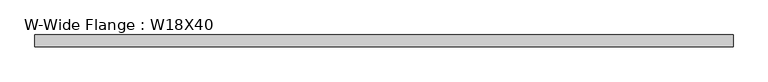
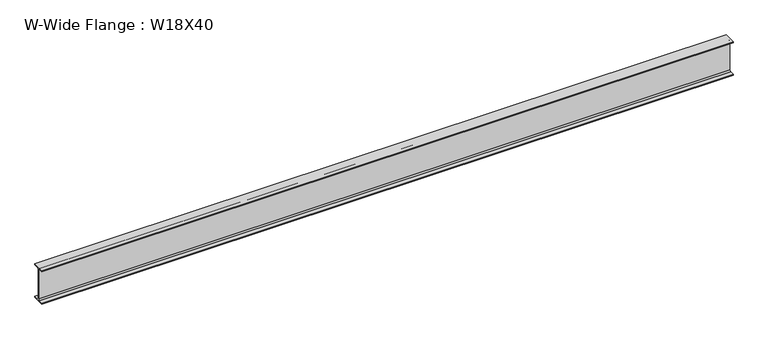
"""IFC4 building model written with IfcOpenShell, lengths in millimetres: beam geometry, W-Wide Flange : W18X40."""

from ifc_helpers import new_model, si_unit, point, frame, frame_2d, origin, place, context, project, spatial, polyline, circle_curve, trimmed, segment, composite_curve, outline, extrude, source, transform, mapped, element, save


def w_wide_flange_w18x40_504dfb3f(model_context):
    return source(origin(), model_context, "Body", "SweptSolid", [
        extrude(outline(composite_curve([segment(polyline([(76.4480469, -214.0148438), (76.4480469, -227.3101563), (-76.4480469, -227.3101563), (-76.4480469, -214.0148438), (-20.8855469, -214.0148438)]), True, "CONTINUOUS"), segment(trimmed(circle_curve(frame_2d((-20.8855469, -197.1476563)), 16.8671875), [point((-20.8855469, -214.0148438))], [point((-4.0183594, -197.1476563))], True, "CARTESIAN"), True, "CONTINUOUS"), segment(polyline([(-4.0183594, -197.1476563), (-4.0183594, 197.1476562)]), True, "CONTINUOUS"), segment(trimmed(circle_curve(frame_2d((-20.8855469, 197.1476562)), 16.8671875), [point((-4.0183594, 197.1476562))], [point((-20.8855469, 214.0148437))], True, "CARTESIAN"), True, "CONTINUOUS"), segment(polyline([(-20.8855469, 214.0148437), (-76.4480469, 214.0148437), (-76.4480469, 227.3101562), (76.4480469, 227.3101562), (76.4480469, 214.0148437), (20.8855469, 214.0148437)]), True, "CONTINUOUS"), segment(trimmed(circle_curve(frame_2d((20.8855469, 197.1476562)), 16.8671875), [point((20.8855469, 214.0148437))], [point((4.0183594, 197.1476562))], True, "CARTESIAN"), True, "CONTINUOUS"), segment(polyline([(4.0183594, 197.1476562), (4.0183594, -197.1476563)]), True, "CONTINUOUS"), segment(trimmed(circle_curve(frame_2d((20.8855469, -197.1476563)), 16.8671875), [point((4.0183594, -197.1476563))], [point((20.8855469, -214.0148438))], True, "CARTESIAN"), True, "CONTINUOUS"), segment(polyline([(20.8855469, -214.0148438), (76.4480469, -214.0148438)]), True, "CONTINUOUS")], self_intersect=False)), frame((-4454.2769531, 0.0, 0.0), z_axis=(1.0, 0.0, 0.0), x_axis=(0.0, 1.0, 0.0)), (0.0, 0.0, 1.0), 8908.5539062),
    ])


if __name__ == "__main__":
    model = new_model("IFC4")
    model_context = context("Model", 3, world=origin())
    ifc_project = project(units=[si_unit("LENGTHUNIT", "METRE", prefix="MILLI")], contexts=[model_context])
    site = spatial("IfcSite", under=ifc_project)
    building = spatial("IfcBuilding", under=site)
    placement = place(None, origin())
    w_wide_flange_w18x40_shape = w_wide_flange_w18x40_504dfb3f(model_context)
    element("IfcBeam", 1, ObjectType="W-Wide Flange : W18X40", at=placement, inside=building, context=model_context, shape_type="MappedRepresentation", body=[
        mapped(w_wide_flange_w18x40_shape, transform((0.0, 0.0, 0.0), x_axis=(1.0, 0.0, 0.0), y_axis=(0.0, 1.0, 0.0), z_axis=(0.0, 0.0, 1.0))),
    ])
    save(model, "model.ifc")
